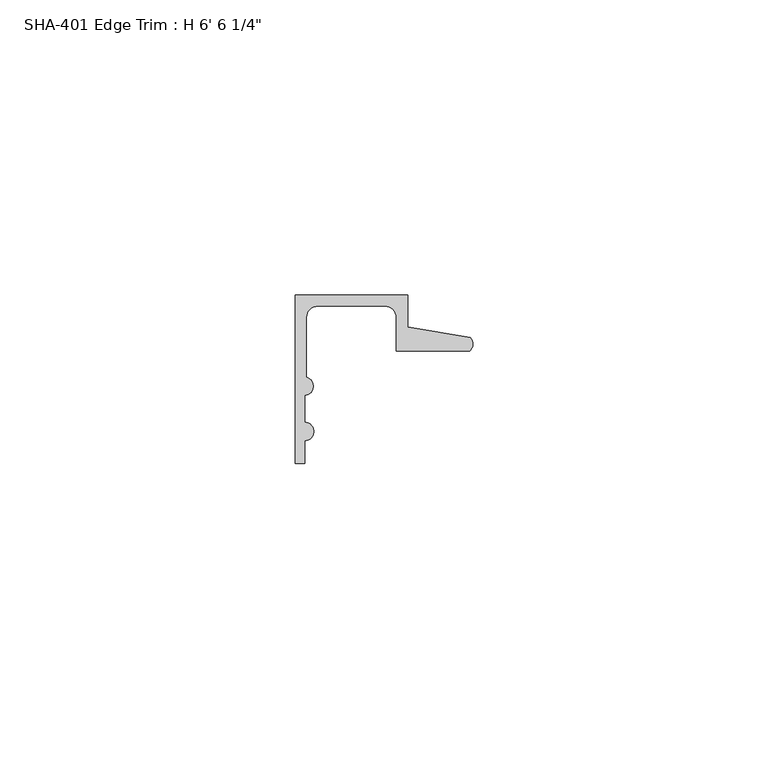
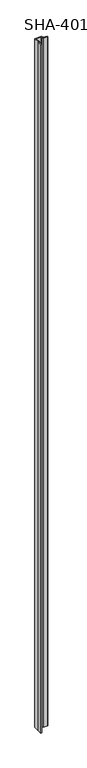
"""IFC4 building model written with IfcOpenShell, lengths in millimetres: proxy geometry."""

from ifc_helpers import new_model, si_unit, point, frame_2d, origin, origin_with_axes, place, context, project, spatial, polyline, circle_curve, trimmed, segment, composite_curve, outline, extrude, source, transform, mapped, element, save


def proxy_cd0b3518(model_context):
    return source(origin(), model_context, "Body", "SweptSolid", [
        extrude(outline(composite_curve([segment(trimmed(circle_curve(frame_2d((28.4438454, -8.3323235)), 1.6162393), [point((29.6006869, -7.2036308))], [point((29.5346031, -9.525))], False, "CARTESIAN"), True, "CONTINUOUS"), segment(polyline([(29.5346031, -9.525), (17.1196, -9.525), (17.1196, -3.81)]), True, "CONTINUOUS"), segment(trimmed(circle_curve(frame_2d((15.2146, -3.81)), 1.905), [point((17.1196, -3.81))], [point((15.2146, -1.905))], True, "CARTESIAN"), True, "CONTINUOUS"), segment(polyline([(15.2146, -1.905), (3.81, -1.905)]), True, "CONTINUOUS"), segment(trimmed(circle_curve(frame_2d((3.81, -3.81)), 1.905), [point((3.81, -1.905))], [point((1.905, -3.81))], True, "CARTESIAN"), True, "CONTINUOUS"), segment(polyline([(1.905, -3.81), (1.905, -13.9230434)]), True, "CONTINUOUS"), segment(trimmed(circle_curve(frame_2d((1.4838146, -15.4432)), 1.5774262), [point((1.905, -13.9230434))], [point((1.5748, -17.018))], False, "CARTESIAN"), True, "CONTINUOUS"), segment(polyline([(1.5748, -17.018), (1.5748, -21.5549919)]), True, "CONTINUOUS"), segment(trimmed(circle_curve(frame_2d((1.5748, -23.1297919)), 1.5748), [point((1.5748, -21.5549919))], [point((1.5748, -24.7045919))], False, "CARTESIAN"), True, "CONTINUOUS"), segment(polyline([(1.5748, -24.7045919), (1.5748, -28.575), (0.0, -28.575), (0.0, -13.8696178), (0.0, 0.0), (19.0246, 0.0), (19.0246, -5.392657), (29.6006869, -7.2036308)]), True, "CONTINUOUS")], self_intersect=False)), origin_with_axes(), (0.0, 0.0, 1.0), 1987.55),
    ])


if __name__ == "__main__":
    model = new_model("IFC4")
    model_context = context("Model", 3, world=origin())
    ifc_project = project(units=[si_unit("LENGTHUNIT", "METRE", prefix="MILLI")], contexts=[model_context])
    site = spatial("IfcSite", under=ifc_project)
    building = spatial("IfcBuilding", under=site)
    placement = place(None, origin())
    proxy_shape = proxy_cd0b3518(model_context)
    element("IfcBuildingElementProxy", 1, Name="SHA-401 Edge Trim : H 6' 6 1/4\"", ObjectType="SHA-401 Edge Trim : H 6' 6 1/4\"", at=placement, inside=building, context=model_context, shape_type="MappedRepresentation", body=[
        mapped(proxy_shape, transform((0.0, 0.0, 0.0), x_axis=(1.0, 0.0, 0.0), y_axis=(0.0, 1.0, 0.0), z_axis=(0.0, 0.0, 1.0))),
    ])
    save(model, "model.ifc")
